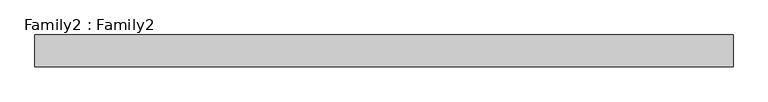
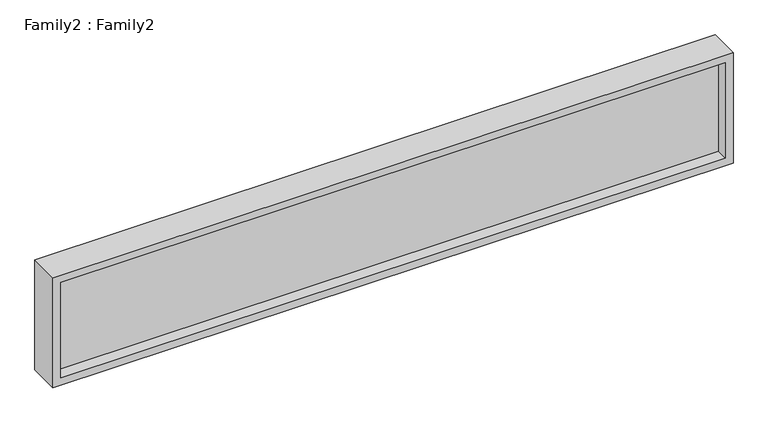
"""IFC4 building model written with IfcOpenShell, lengths in millimetres: plate geometry, Family2 : Family2."""

from ifc_helpers import new_model, si_unit, frame, origin, place, context, project, spatial, polyline, outline, extrude, source, transform, mapped, element, save


def family2_family2_c7900277(model_context):
    return source(origin(), model_context, "Body", "SweptSolid", [
        extrude(outline(polyline([(300.0, -875.003964), (0.0, -875.003964), (0.0, 875.003964), (300.0, 875.003964), (300.0, -875.003964)]), holes=[polyline([(20.0, -855.003964), (280.0, -855.003964), (280.0, 855.003964), (20.0, 855.003964), (20.0, -855.003964)])]), frame((0.0, -40.0, 0.0), z_axis=(0.0, 1.0, 0.0), x_axis=(0.0, 0.0, 1.0)), (0.0, 0.0, 1.0), 80.0),
        extrude(outline(polyline([(855.003964, -10.0), (-855.003964, -10.0), (-855.003964, 10.0), (855.003964, 10.0), (855.003964, -10.0)])), frame((0.0, 0.0, 20.0), z_axis=(0.0, 0.0, 1.0), x_axis=(1.0, 0.0, 0.0)), (0.0, 0.0, 1.0), 260.0),
    ])


if __name__ == "__main__":
    model = new_model("IFC4")
    model_context = context("Model", 3, world=origin())
    ifc_project = project(units=[si_unit("LENGTHUNIT", "METRE", prefix="MILLI")], contexts=[model_context])
    site = spatial("IfcSite", under=ifc_project)
    building = spatial("IfcBuilding", under=site)
    placement = place(None, origin())
    family2_family2_shape = family2_family2_c7900277(model_context)
    element("IfcPlate", 1, ObjectType="Family2 : Family2", at=placement, inside=building, context=model_context, shape_type="MappedRepresentation", body=[
        mapped(family2_family2_shape, transform((0.0, 0.0, 0.0), x_axis=(1.0, 0.0, 0.0), y_axis=(0.0, 1.0, 0.0), z_axis=(0.0, 0.0, 1.0))),
    ])
    save(model, "model.ifc")
